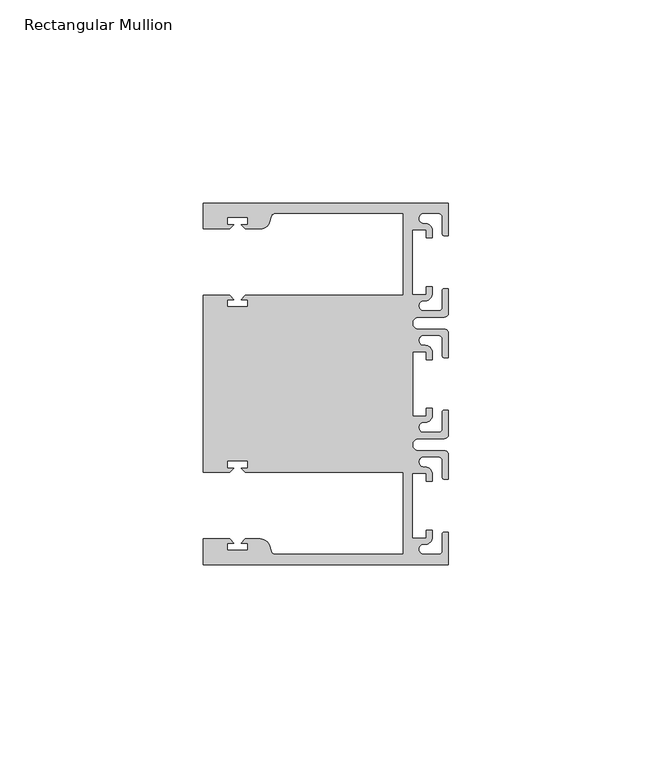
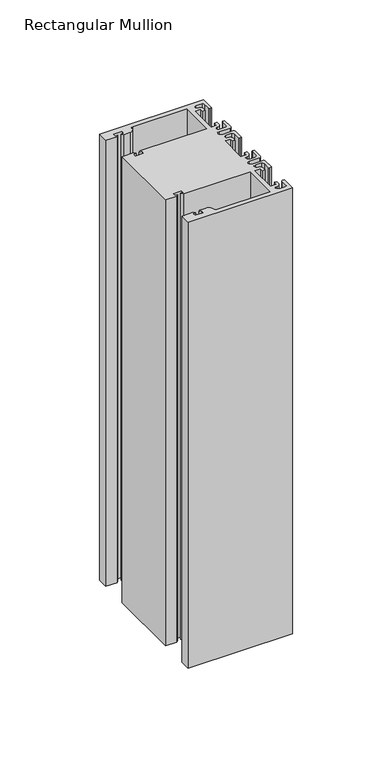
"""IFC4 building model written with IfcOpenShell, lengths in millimetres: member geometry, Rectangular Mullion."""

from ifc_helpers import new_model, si_unit, point, frame, frame_2d, origin, place, context, project, spatial, polyline, circle_curve, trimmed, segment, composite_curve, outline, extrude, source, transform, mapped, element, save


def rectangular_mullion_b9e1c828(model_context):
    return source(origin(), model_context, "Body", "SweptSolid", [
        extrude(outline(composite_curve([segment(polyline([(0.0, 44.45), (0.0, 36.4500318), (-1.0, 36.4500318)]), True, "CONTINUOUS"), segment(trimmed(circle_curve(frame_2d((-1.0, 36.9500318)), 0.5), [point((-1.0, 36.4500318))], [point((-1.5, 36.9500318))], False, "CARTESIAN"), True, "CONTINUOUS"), segment(polyline([(-1.5, 36.9500318), (-1.5, 40.95)]), True, "CONTINUOUS"), segment(trimmed(circle_curve(frame_2d((-2.5, 40.95)), 1.0), [point((-1.5, 40.95))], [point((-2.5, 41.95))], True, "CARTESIAN"), True, "CONTINUOUS"), segment(polyline([(-2.5, 41.95), (-6.0499986, 41.95)]), True, "CONTINUOUS"), segment(trimmed(circle_curve(frame_2d((-6.0499986, 40.6999986)), 1.2500014), [point((-6.0499986, 41.95))], [point((-5.9027291, 39.4587029))], True, "CARTESIAN"), True, "CONTINUOUS"), segment(trimmed(circle_curve(frame_2d((-5.7186029, 37.7499972)), 1.7185975), [point((-5.9027291, 39.4587029))], [point((-4.0000054, 37.7499972))], False, "CARTESIAN"), True, "CONTINUOUS"), segment(polyline([(-4.0000054, 37.7499972), (-4.0000054, 35.9500318), (-5.5, 35.9500318), (-5.5, 37.9499972), (-8.8585786, 37.9499972), (-8.8585786, 21.9499956), (-5.5, 21.9499956), (-5.5, 23.9499611), (-3.9999946, 23.9499611), (-3.9999946, 22.0272972)]), True, "CONTINUOUS"), segment(trimmed(circle_curve(frame_2d((-5.7543344, 22.1865598)), 1.761554), [point((-3.9999946, 22.0272972))], [point((-6.0499986, 20.4499956))], False, "CARTESIAN"), True, "CONTINUOUS"), segment(trimmed(circle_curve(frame_2d((-6.0499986, 19.1999942)), 1.2500014), [point((-6.0499986, 20.4499956))], [point((-6.0499986, 17.9499929))], True, "CARTESIAN"), True, "CONTINUOUS"), segment(polyline([(-6.0499986, 17.9499929), (-2.5, 17.9499929)]), True, "CONTINUOUS"), segment(trimmed(circle_curve(frame_2d((-2.5, 18.9499929)), 1.0), [point((-2.5, 17.9499929))], [point((-1.5, 18.9499929))], True, "CARTESIAN"), True, "CONTINUOUS"), segment(polyline([(-1.5, 18.9499929), (-1.5, 22.9499611)]), True, "CONTINUOUS"), segment(trimmed(circle_curve(frame_2d((-1.0, 22.9499611)), 0.5), [point((-1.5, 22.9499611))], [point((-1.0, 23.4499611))], False, "CARTESIAN"), True, "CONTINUOUS"), segment(polyline([(-1.0, 23.4499611), (0.0, 23.4499611), (0.0, 17.4499929)]), True, "CONTINUOUS"), segment(trimmed(circle_curve(frame_2d((-1.0, 17.4499929)), 1.0), [point((0.0, 17.4499929))], [point((-1.0, 16.4499929))], False, "CARTESIAN"), True, "CONTINUOUS"), segment(polyline([(-1.0, 16.4499929), (-7.3, 16.4499929)]), True, "CONTINUOUS"), segment(trimmed(circle_curve(frame_2d((-7.3, 14.9499929)), 1.5), [point((-7.3, 16.4499929))], [point((-7.3046244, 13.45))], True, "CARTESIAN"), True, "CONTINUOUS"), segment(polyline([(-7.3046244, 13.45), (-1.0, 13.45)]), True, "CONTINUOUS"), segment(trimmed(circle_curve(frame_2d((-1.0, 12.45)), 1.0), [point((-1.0, 13.45))], [point((0.0, 12.45))], False, "CARTESIAN"), True, "CONTINUOUS"), segment(polyline([(0.0, 12.45), (0.0, 6.4500354), (-0.9999964, 6.4500354)]), True, "CONTINUOUS"), segment(trimmed(circle_curve(frame_2d((-0.9999964, 6.9500354)), 0.5), [point((-0.9999964, 6.4500354))], [point((-1.4999964, 6.9500354))], False, "CARTESIAN"), True, "CONTINUOUS"), segment(polyline([(-1.4999964, 6.9500354), (-1.4999964, 10.95)]), True, "CONTINUOUS"), segment(trimmed(circle_curve(frame_2d((-2.4999964, 10.95)), 1.0), [point((-1.4999964, 10.95))], [point((-2.4999964, 11.95))], True, "CARTESIAN"), True, "CONTINUOUS"), segment(polyline([(-2.4999964, 11.95), (-6.0499986, 11.95)]), True, "CONTINUOUS"), segment(trimmed(circle_curve(frame_2d((-6.0499986, 10.6999986)), 1.2500014), [point((-6.0499986, 11.95))], [point((-6.0499986, 9.4499972))], True, "CARTESIAN"), True, "CONTINUOUS"), segment(trimmed(circle_curve(frame_2d((-5.7298824, 7.7499972)), 1.729877), [point((-6.0499986, 9.4499972))], [point((-4.0000054, 7.7499972))], False, "CARTESIAN"), True, "CONTINUOUS"), segment(polyline([(-4.0000054, 7.7499972), (-4.0000054, 5.9500318), (-5.5, 5.9500318), (-5.5, 7.9499972), (-8.8, 7.9499972), (-8.8, -7.9499972), (-5.5, -7.9499972), (-5.5, -5.9500318), (-4.0000054, -5.9500318), (-4.0000054, -7.7499972)]), True, "CONTINUOUS"), segment(trimmed(circle_curve(frame_2d((-5.7298824, -7.7499972)), 1.729877), [point((-4.0000054, -7.7499972))], [point((-6.0499986, -9.4499972))], False, "CARTESIAN"), True, "CONTINUOUS"), segment(trimmed(circle_curve(frame_2d((-6.0499986, -10.6999986)), 1.2500014), [point((-6.0499986, -9.4499972))], [point((-6.0499986, -11.95))], True, "CARTESIAN"), True, "CONTINUOUS"), segment(polyline([(-6.0499986, -11.95), (-2.4999964, -11.95)]), True, "CONTINUOUS"), segment(trimmed(circle_curve(frame_2d((-2.4999964, -10.95)), 1.0), [point((-2.4999964, -11.95))], [point((-1.4999964, -10.95))], True, "CARTESIAN"), True, "CONTINUOUS"), segment(polyline([(-1.4999964, -10.95), (-1.4999964, -6.9500354)]), True, "CONTINUOUS"), segment(trimmed(circle_curve(frame_2d((-0.9999964, -6.9500354)), 0.5), [point((-1.4999964, -6.9500354))], [point((-0.9999964, -6.4500354))], False, "CARTESIAN"), True, "CONTINUOUS"), segment(polyline([(-0.9999964, -6.4500354), (0.0, -6.4500354), (0.0, -12.45)]), True, "CONTINUOUS"), segment(trimmed(circle_curve(frame_2d((-1.0, -12.45)), 1.0), [point((0.0, -12.45))], [point((-1.0, -13.45))], False, "CARTESIAN"), True, "CONTINUOUS"), segment(polyline([(-1.0, -13.45), (-7.3046244, -13.45)]), True, "CONTINUOUS"), segment(trimmed(circle_curve(frame_2d((-7.3, -14.9499929)), 1.5), [point((-7.3046244, -13.45))], [point((-7.3, -16.4499929))], True, "CARTESIAN"), True, "CONTINUOUS"), segment(polyline([(-7.3, -16.4499929), (-1.0, -16.4499929)]), True, "CONTINUOUS"), segment(trimmed(circle_curve(frame_2d((-1.0, -17.4499929)), 1.0), [point((-1.0, -16.4499929))], [point((0.0, -17.4499929))], False, "CARTESIAN"), True, "CONTINUOUS"), segment(polyline([(0.0, -17.4499929), (0.0, -23.4499611), (-1.0, -23.4499611)]), True, "CONTINUOUS"), segment(trimmed(circle_curve(frame_2d((-1.0, -22.9499611)), 0.5), [point((-1.0, -23.4499611))], [point((-1.5, -22.9499611))], False, "CARTESIAN"), True, "CONTINUOUS"), segment(polyline([(-1.5, -22.9499611), (-1.5, -18.9499929)]), True, "CONTINUOUS"), segment(trimmed(circle_curve(frame_2d((-2.5, -18.9499929)), 1.0), [point((-1.5, -18.9499929))], [point((-2.5, -17.9499929))], True, "CARTESIAN"), True, "CONTINUOUS"), segment(polyline([(-2.5, -17.9499929), (-6.0499986, -17.9499929)]), True, "CONTINUOUS"), segment(trimmed(circle_curve(frame_2d((-6.0499986, -19.1999942)), 1.2500014), [point((-6.0499986, -17.9499929))], [point((-6.0499986, -20.4499956))], True, "CARTESIAN"), True, "CONTINUOUS"), segment(trimmed(circle_curve(frame_2d((-5.7543344, -22.1865598)), 1.761554), [point((-6.0499986, -20.4499956))], [point((-3.9999946, -22.0272972))], False, "CARTESIAN"), True, "CONTINUOUS"), segment(polyline([(-3.9999946, -22.0272972), (-3.9999946, -23.9499611), (-5.5, -23.9499611), (-5.5, -21.9499956), (-8.8585786, -21.9499956), (-8.8585786, -37.9499972), (-5.5, -37.9499972), (-5.5, -35.9500318), (-4.0000054, -35.9500318), (-4.0000054, -37.7499972)]), True, "CONTINUOUS"), segment(trimmed(circle_curve(frame_2d((-5.7186029, -37.7499972)), 1.7185975), [point((-4.0000054, -37.7499972))], [point((-5.9027291, -39.4587029))], False, "CARTESIAN"), True, "CONTINUOUS"), segment(trimmed(circle_curve(frame_2d((-6.0499986, -40.6999986)), 1.2500014), [point((-5.9027291, -39.4587029))], [point((-6.0499986, -41.95))], True, "CARTESIAN"), True, "CONTINUOUS"), segment(polyline([(-6.0499986, -41.95), (-2.5, -41.95)]), True, "CONTINUOUS"), segment(trimmed(circle_curve(frame_2d((-2.5, -40.95)), 1.0), [point((-2.5, -41.95))], [point((-1.5, -40.95))], True, "CARTESIAN"), True, "CONTINUOUS"), segment(polyline([(-1.5, -40.95), (-1.5, -36.9500318)]), True, "CONTINUOUS"), segment(trimmed(circle_curve(frame_2d((-1.0, -36.9500318)), 0.5), [point((-1.5, -36.9500318))], [point((-1.0, -36.4500318))], False, "CARTESIAN"), True, "CONTINUOUS"), segment(polyline([(-1.0, -36.4500318), (0.0, -36.4500318), (0.0, -44.45), (-60.325, -44.45), (-60.325, -38.1499897), (-53.8507531, -38.1499897), (-52.8507405, -39.1500023), (-54.4249778, -39.1500023), (-54.4249778, -40.9498819), (-49.4249831, -40.9498819), (-49.4249831, -39.1500023), (-50.999256, -39.1500023), (-49.9992503, -38.1499966), (-46.3137853, -38.1499966)]), True, "CONTINUOUS"), segment(trimmed(circle_curve(frame_2d((-46.3137853, -40.6499966)), 2.5), [point((-46.3137853, -38.1499966))], [point((-43.8989707, -40.002949))], False, "CARTESIAN"), True, "CONTINUOUS"), segment(polyline([(-43.8989707, -40.002949), (-43.5758588, -41.2088192)]), True, "CONTINUOUS"), segment(trimmed(circle_curve(frame_2d((-42.6099329, -40.9500001)), 1.0), [point((-43.5758588, -41.2088192))], [point((-42.6099329, -41.9500001))], True, "CARTESIAN"), True, "CONTINUOUS"), segment(polyline([(-42.6099329, -41.9500001), (-11.1125, -41.95), (-11.1125, -21.7499959), (-49.9992434, -21.7499959), (-50.999256, -20.7499834), (-49.4250186, -20.7499834), (-49.4250186, -18.949936), (-54.4250134, -18.949936), (-54.4250134, -20.7499834), (-52.8507405, -20.7499834), (-53.8507562, -21.749999), (-60.325, -21.749999), (-60.325, 21.749999), (-53.8507562, 21.749999), (-52.8507405, 20.7499834), (-54.4250134, 20.7499834), (-54.4250134, 18.949936), (-49.4250186, 18.949936), (-49.4250186, 20.7499834), (-50.999256, 20.7499834), (-49.9992434, 21.7499959), (-11.1124977, 21.7499959), (-11.1124977, 41.95), (-42.6099329, 41.95)]), True, "CONTINUOUS"), segment(trimmed(circle_curve(frame_2d((-42.6099329, 40.9500001)), 1.0), [point((-42.6099329, 41.95))], [point((-43.5758588, 41.2088192))], True, "CARTESIAN"), True, "CONTINUOUS"), segment(polyline([(-43.5758588, 41.2088192), (-43.8989707, 40.002949)]), True, "CONTINUOUS"), segment(trimmed(circle_curve(frame_2d((-46.3137853, 40.6499966)), 2.5), [point((-43.8989707, 40.002949))], [point((-46.3137853, 38.1499966))], False, "CARTESIAN"), True, "CONTINUOUS"), segment(polyline([(-46.3137853, 38.1499966), (-49.9992503, 38.1499966), (-50.999256, 39.1500023), (-49.4249831, 39.1500023), (-49.4249831, 40.9498819), (-54.4249778, 40.9498819), (-54.4249778, 39.1500023), (-52.8507405, 39.1500023), (-53.8507531, 38.1499897), (-60.3249977, 38.1499897), (-60.3249977, 44.45), (0.0, 44.45)]), True, "CONTINUOUS")], self_intersect=False)), frame((0.0, 0.0, -273.05), z_axis=(0.0, 0.0, 1.0), x_axis=(1.0, 0.0, 0.0)), (0.0, 0.0, 1.0), 273.05),
    ])


if __name__ == "__main__":
    model = new_model("IFC4")
    model_context = context("Model", 3, world=origin())
    ifc_project = project(units=[si_unit("LENGTHUNIT", "METRE", prefix="MILLI")], contexts=[model_context])
    site = spatial("IfcSite", under=ifc_project)
    building = spatial("IfcBuilding", under=site)
    placement = place(None, origin())
    rectangular_mullion_shape = rectangular_mullion_b9e1c828(model_context)
    element("IfcMember", 1, ObjectType="Rectangular Mullion", at=placement, inside=building, context=model_context, shape_type="MappedRepresentation", body=[
        mapped(rectangular_mullion_shape, transform((0.0, 0.0, 0.0), x_axis=(1.0, 0.0, 0.0), y_axis=(0.0, 1.0, 0.0), z_axis=(0.0, 0.0, 1.0))),
    ])
    save(model, "model.ifc")
